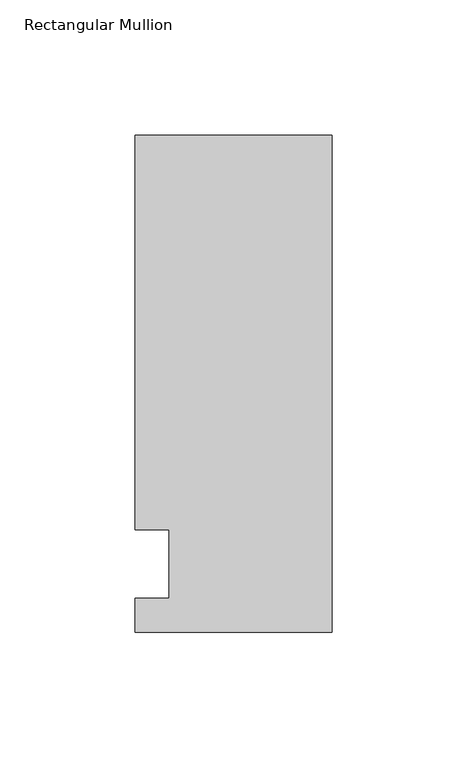
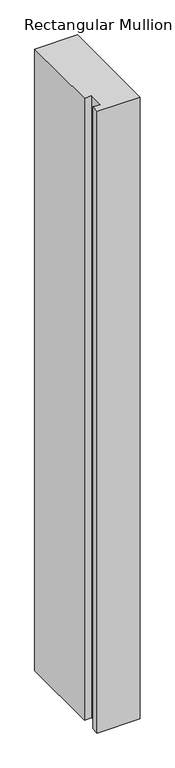
"""IFC4 building model written with IfcOpenShell, lengths in millimetres: member geometry, Rectangular Mullion."""

from ifc_helpers import new_model, si_unit, frame, origin, place, context, project, spatial, polyline, outline, extrude, source, transform, mapped, element, save


def rectangular_mullion_b50b72ce(model_context):
    return source(origin(), model_context, "Body", "SweptSolid", [
        extrude(outline(polyline([(-73.025, 158.75), (0.0, 158.75), (0.0, -25.4), (-73.025, -25.4), (-73.025, -12.7), (-60.325, -12.7), (-60.325, 12.7), (-73.025, 12.7), (-73.025, 158.75)])), frame((0.0, 0.0, -1117.6), z_axis=(0.0, 0.0, 1.0), x_axis=(1.0, 0.0, 0.0)), (0.0, 0.0, 1.0), 1117.6),
    ])


if __name__ == "__main__":
    model = new_model("IFC4")
    model_context = context("Model", 3, world=origin())
    ifc_project = project(units=[si_unit("LENGTHUNIT", "METRE", prefix="MILLI")], contexts=[model_context])
    site = spatial("IfcSite", under=ifc_project)
    building = spatial("IfcBuilding", under=site)
    placement = place(None, origin())
    rectangular_mullion_shape = rectangular_mullion_b50b72ce(model_context)
    element("IfcMember", 1, ObjectType="Rectangular Mullion", at=placement, inside=building, context=model_context, shape_type="MappedRepresentation", body=[
        mapped(rectangular_mullion_shape, transform((0.0, 0.0, 0.0), x_axis=(1.0, 0.0, 0.0), y_axis=(0.0, 1.0, 0.0), z_axis=(0.0, 0.0, 1.0))),
    ])
    save(model, "model.ifc")
